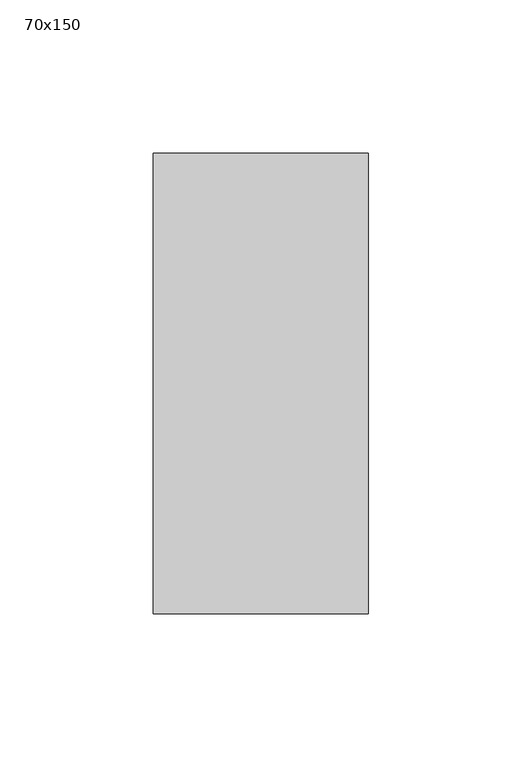
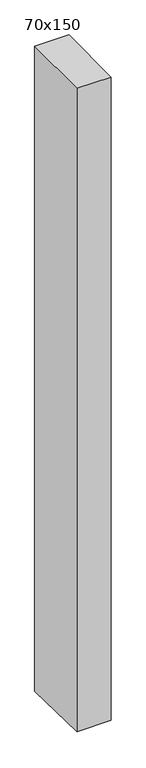
"""IFC4 building model written with IfcOpenShell, lengths in millimetres: member geometry, 70x150."""

import ifcopenshell
import ifcopenshell.guid

model = None  # the IFC model being written
_history = None  # IfcOwnerHistory: only IFC2X3 demands one
_inside = {}  # id of a spatial element -> (the spatial element, [elements in it])
_under = {}  # id of a project, library or spatial element -> (it, [spatial elements below it])
_declared = {}  # id of a project -> (the project, [libraries it declares])
_typed = {}  # id of a type object -> (the type object, [elements of that type])
_made_of = {}  # id of a material, layer set ... -> (it, [elements and type objects made of it])


def new_model(schema):
    """Start an empty IFC model of exactly this schema.

    Asked for "IFC4X3", IfcOpenShell would pick the latest addendum, in which some entities
    have other attributes; the version numbers below select the first issue.
    IFC2X3 requires an IfcOwnerHistory on every rooted entity: one is made here for all.
    """
    global model, _history
    if schema == "IFC4X3":
        model = ifcopenshell.file(schema_version=(4, 3, 0, 0))
    else:
        model = ifcopenshell.file(schema=schema)
    _inside.clear()
    _under.clear()
    _declared.clear()
    _typed.clear()
    _made_of.clear()
    _history = None
    if model.schema == "IFC2X3":
        org = make("IfcOrganization", Name="unknown")
        user = make(
            "IfcPersonAndOrganization",
            ThePerson=make("IfcPerson", FamilyName="unknown"),
            TheOrganization=org,
        )
        app = make(
            "IfcApplication",
            ApplicationDeveloper=org,
            Version="unknown",
            ApplicationFullName="unknown",
            ApplicationIdentifier="unknown",
        )
        _history = make(
            "IfcOwnerHistory",
            OwningUser=user,
            OwningApplication=app,
            ChangeAction="ADDED",
            CreationDate=0,
        )
    return model


def make(cls, **values):
    """One entity of the class cls with the attributes given. An attribute that is None is left unset."""
    return model.create_entity(
        cls, **{name: value for name, value in values.items() if value is not None}
    )


def rooted(cls, **values):
    """An entity with a GlobalId (a new one), such as an element, a storey or a relation."""
    return make(cls, GlobalId=ifcopenshell.guid.new(), OwnerHistory=_history, **values)


def si_unit(unit_type, name, prefix=None):
    """IfcSIUnit, for example si_unit("LENGTHUNIT", "METRE", prefix="MILLI")."""
    return make("IfcSIUnit", UnitType=unit_type, Prefix=prefix, Name=name)


def assignment(units):
    """IfcUnitAssignment: the units of a project."""
    return None if units is None else make("IfcUnitAssignment", Units=units)


def point(xyz):
    """IfcCartesianPoint."""
    return None if xyz is None else make("IfcCartesianPoint", Coordinates=xyz)


def direction(xyz):
    """IfcDirection."""
    return None if xyz is None else make("IfcDirection", DirectionRatios=xyz)


def frame(location, z_axis=None, x_axis=None):
    """IfcAxis2Placement3D, a coordinate frame: its origin and axes. An axis left out is left unset."""
    return make(
        "IfcAxis2Placement3D",
        Location=point(location),
        Axis=direction(z_axis),
        RefDirection=direction(x_axis),
    )


def origin():
    """The frame at (0, 0, 0) with its axes left unset."""
    return frame((0.0, 0.0, 0.0))


def place(relative_to, where):
    """IfcLocalPlacement: puts the frame where relative to a parent placement (None: the world)."""
    return make(
        "IfcLocalPlacement", PlacementRelTo=relative_to, RelativePlacement=where
    )


def context(
    kind, dimensions, precision=None, world=None, true_north=None, identifier=None
):
    """IfcGeometricRepresentationContext, for example the 3D "Model" context."""
    return make(
        "IfcGeometricRepresentationContext",
        ContextIdentifier=identifier,
        ContextType=kind,
        CoordinateSpaceDimension=dimensions,
        Precision=precision,
        WorldCoordinateSystem=world,
        TrueNorth=true_north,
    )


def project(units=None, contexts=None):
    """IfcProject with its units and contexts."""
    return rooted(
        "IfcProject",
        Name="project",
        RepresentationContexts=contexts,
        UnitsInContext=assignment(units),
    )


def spatial(cls, under=None, at=None, **own):
    """A site, building, storey or space (cls), placed at a placement, below another one or the project."""
    s = rooted(cls, ObjectPlacement=at, **own)
    if under is not None:
        _under.setdefault(under.id(), (under, []))[1].append(s)
    return s


def polyline(points):
    """IfcPolyline through the points."""
    return make("IfcPolyline", Points=[point(p) for p in points])


def outline(outer, holes=None, kind="AREA"):
    """IfcArbitraryClosedProfileDef: a profile drawn as a closed curve; with holes, ...WithVoids."""
    if holes is None:
        return make("IfcArbitraryClosedProfileDef", ProfileType=kind, OuterCurve=outer)
    return make(
        "IfcArbitraryProfileDefWithVoids",
        ProfileType=kind,
        OuterCurve=outer,
        InnerCurves=holes,
    )


def extrude(swept, where, along, depth):
    """IfcExtrudedAreaSolid: the profile swept, set in the frame where, extruded along a direction by depth."""
    return make(
        "IfcExtrudedAreaSolid",
        SweptArea=swept,
        Position=where,
        ExtrudedDirection=direction(along),
        Depth=depth,
    )


def shape(context_of_items, identifier, shape_type, items):
    """IfcShapeRepresentation: the items that make up one representation, for example the "Body"."""
    return make(
        "IfcShapeRepresentation",
        ContextOfItems=context_of_items,
        RepresentationIdentifier=identifier,
        RepresentationType=shape_type,
        Items=items,
    )


def source(mapping_origin, context_of_items, identifier, shape_type, items):
    """IfcRepresentationMap: a shape defined once, which mapped items show again and again."""
    return make(
        "IfcRepresentationMap",
        MappingOrigin=mapping_origin,
        MappedRepresentation=shape(context_of_items, identifier, shape_type, items),
    )


def transform(
    local_origin,
    x_axis=None,
    y_axis=None,
    z_axis=None,
    scale=None,
    scale2=None,
    scale3=None,
    uniform=True,
):
    """IfcCartesianTransformationOperator3D, or its non-uniform kind. x_axis, y_axis, z_axis: its Axis1, 2, 3."""
    if uniform:
        return make(
            "IfcCartesianTransformationOperator3D",
            Axis1=direction(x_axis),
            Axis2=direction(y_axis),
            LocalOrigin=point(local_origin),
            Scale=scale,
            Axis3=direction(z_axis),
        )
    return make(
        "IfcCartesianTransformationOperator3DnonUniform",
        Axis1=direction(x_axis),
        Axis2=direction(y_axis),
        LocalOrigin=point(local_origin),
        Scale=scale,
        Axis3=direction(z_axis),
        Scale2=scale2,
        Scale3=scale3,
    )


def mapped(mapping_source, mapping_target):
    """IfcMappedItem: shows the shape of a source again, moved by a transform."""
    return make(
        "IfcMappedItem", MappingSource=mapping_source, MappingTarget=mapping_target
    )


def made_of(thing, what):
    """Note that an element or type object is made of a material, layer set ...; save() writes the relation."""
    if what is not None:
        _made_of.setdefault(what.id(), (what, []))[1].append(thing)
    return thing


def element(
    cls,
    number,
    at=None,
    inside=None,
    cuts=None,
    type_object=None,
    material=None,
    context=None,
    identifier="Body",
    shape_type=None,
    held_by="IfcProductDefinitionShape",
    body=None,
    shapes=None,
    **own,
):
    """One element of the class cls, such as IfcWall. Its Tag is "e" and its number.

    at: its placement. inside: the storey or other place that contains it. cuts: it is an
    opening in that element (IfcRelVoidsElement). A single representation is given by context,
    identifier, shape_type and body (its items); several are given by shapes. held_by: the class
    of the entity that holds the representations. save() writes the other relations.
    """
    e = rooted(cls, Tag="e%d" % number, ObjectPlacement=at, **own)
    if body is not None:
        shapes = [shape(context, identifier, shape_type, body)]
    if shapes is not None:
        e.Representation = make(held_by, Representations=shapes)
    if inside is not None:
        _inside.setdefault(inside.id(), (inside, []))[1].append(e)
    if cuts is not None:
        rooted(
            "IfcRelVoidsElement", RelatingBuildingElement=cuts, RelatedOpeningElement=e
        )
    if type_object is not None:
        _typed.setdefault(type_object.id(), (type_object, []))[1].append(e)
    return made_of(e, material)


def aggregate(whole, parts):
    """IfcRelAggregates: a whole, such as a stair, and the parts it consists of."""
    return rooted("IfcRelAggregates", RelatingObject=whole, RelatedObjects=parts)


def save(model, path):
    """Write the relations noted so far, then the file.

    IfcRelAggregates (storeys below a building ...), IfcRelContainedInSpatialStructure (elements
    in a storey), IfcRelDefinesByType, IfcRelAssociatesMaterial and IfcRelDeclares: one each for
    every whole, place, type object, material and project.
    """
    for whole, parts in _under.values():
        aggregate(whole, parts)
    for where, things in _inside.values():
        rooted(
            "IfcRelContainedInSpatialStructure",
            RelatedElements=things,
            RelatingStructure=where,
        )
    for kind, things in _typed.values():
        rooted("IfcRelDefinesByType", RelatedObjects=things, RelatingType=kind)
    for what, things in _made_of.values():
        rooted("IfcRelAssociatesMaterial", RelatedObjects=things, RelatingMaterial=what)
    for by, libraries in _declared.values():
        rooted("IfcRelDeclares", RelatingContext=by, RelatedDefinitions=libraries)
    model.write(path)


def member_70x150_c7beafc3(model_context):
    return source(origin(), model_context, "Body", "SweptSolid", [
        extrude(outline(polyline([(-75.0, -0.1992642), (75.0, 0.1992642), (75.0, -1396.820836), (-75.0, -1394.0424355), (-75.0, -0.1992642)])), frame((-35.0, 0.0, 0.0), z_axis=(1.0, 0.0, 0.0), x_axis=(0.0, 1.0, 0.0)), (0.0, 0.0, 1.0), 70.0),
    ])


if __name__ == "__main__":
    model = new_model("IFC4")
    model_context = context("Model", 3, world=origin())
    ifc_project = project(units=[si_unit("LENGTHUNIT", "METRE", prefix="MILLI")], contexts=[model_context])
    site = spatial("IfcSite", under=ifc_project)
    building = spatial("IfcBuilding", under=site)
    placement = place(None, origin())
    member_70x150_shape = member_70x150_c7beafc3(model_context)
    element("IfcMember", 1, ObjectType="70x150", at=placement, inside=building, context=model_context, shape_type="MappedRepresentation", body=[
        mapped(member_70x150_shape, transform((0.0, 0.0, 0.0), x_axis=(1.0, 0.0, 0.0), y_axis=(0.0, 1.0, 0.0), z_axis=(0.0, 0.0, 1.0))),
    ])
    save(model, "model.ifc")
